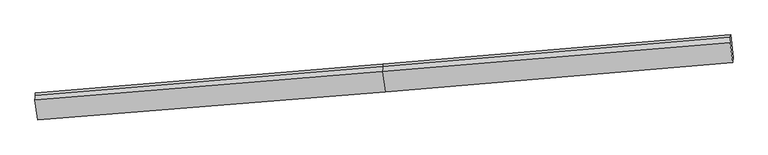
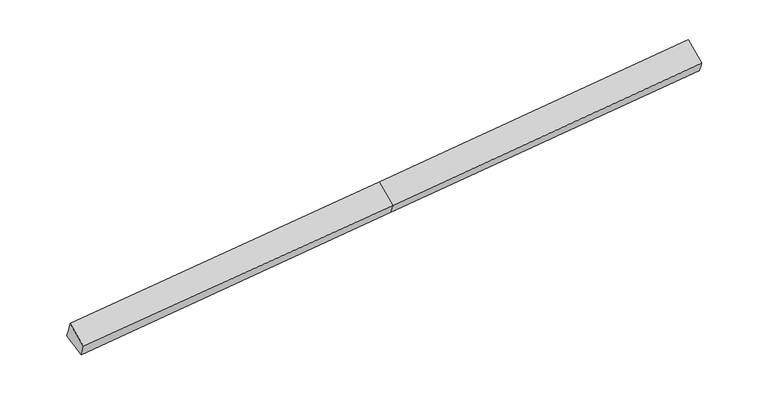
"""IFC4 building model written with IfcOpenShell, lengths in millimetres: proxy geometry."""

from ifc_helpers import new_model, si_unit, frame, origin, place, context, project, spatial, source, transform, mapped, element, save
from ifc_brep_helpers import plane_surface, spline_surface, advanced_brep


def generic_models_52290170(model_context):
    return source(origin(), model_context, "Body", "AdvancedBrep", [
        advanced_brep(
        [(-10583.2695888, -2235.7052022, 1228.433711), (-10589.1335866, -2303.3204423, 1414.5417847), (-622.486525, -1477.0752371, 2034.0831463), (-616.2763367, -1405.4682227, 1836.9878838), (-10513.0747591, -2887.2601449, 981.479562), (-546.9264633, -2056.3338994, 1602.7058848), (-10523.9103142, -3012.2002771, 1325.3719638), (-555.1201811, -2202.9726135, 1933.4760827), (-10599.9092771, -2427.570301, 1756.534238), (-631.1191439, -1618.3426374, 2364.6383568), (9420.4348896, -1363.0551359, 2552.9433234), (9429.0726321, -1211.2965633, 2208.0809329), (9359.7227588, -560.4308867, 2442.3629319), (9353.3645622, -633.7445205, 2644.1555919), (9344.4359268, -778.4251598, 2984.1055976)],
        [
            (0, 1),
            (1, 2),
            (2, 3),
            (3, 0),
            (4, 0),
            (0, 5),
            (5, 4),
            (6, 4),
            (5, 7),
            (7, 6),
            (8, 6),
            (7, 9),
            (9, 8),
            (1, 8),
            (9, 2),
            (10, 11),
            (11, 12),
            (12, 13),
            (13, 14),
            (14, 10),
            (3, 5),
            (5, 11),
            (10, 7),
            (3, 12),
            (2, 13),
            (9, 14),
        ],
        [
            plane_surface(frame((-10586.2015877, -2269.5128223, 1321.4877479), z_axis=(-0.09857325469937928, 0.9363067365712967, 0.33706528819974907), x_axis=(-0.02960164833667081, -0.34132389389904255, 0.9394795058272146))),
            plane_surface(frame((-10548.172174, -2561.4826735, 1104.9566365), z_axis=(0.028439312615942115, 0.3569533414857469, -0.9336891974849514), x_axis=(-0.10023359004109375, 0.9303775121110157, 0.3526342473237544))),
            spline_surface(1, 1, [[(-10523.9103142, -3012.2002771, 1325.3719638), (-555.1201811, -2202.9726135, 1933.4760827)], [(-10513.0747591, -2887.2601449, 981.479562), (-546.9264633, -2056.3338994, 1602.7058848)]], [2, 2], [2, 2], [0.0, 1.0], [0.0, 1.0]),
            plane_surface(frame((-10561.9097956, -2719.8852891, 1540.9531009), z_axis=(-0.0009028421994106001, -0.5936158387311857, 0.804748048076809), x_axis=(0.10405263648580025, -0.8004357968391097, -0.5903182056983282))),
            spline_surface(1, 1, [[(-10589.1335866, -2303.3204423, 1414.5417847), (-622.486525, -1477.0752371, 2034.0831463)], [(-10599.9092771, -2427.570301, 1756.534238), (-631.1191439, -1618.3426374, 2364.6383568)]], [2, 2], [2, 2], [0.0, 1.0], [0.0, 1.0]),
            plane_surface(frame((9381.4061539, -909.3904532, 2566.3296755), z_axis=(0.994571791694322, 0.0837405261845056, 0.06176143975239423), x_axis=(0.022919336468088053, 0.4026753272604175, -0.9150558916435533))),
            plane_surface(frame((-10555.0409848, -2640.6839813, 1322.9548687), z_axis=(-0.9945717916943219, -0.08374052618450513, -0.06176143975239577), x_axis=(0.029601648336670817, 0.34132389389904344, -0.9394795058272142))),
            plane_surface(frame((-10583.2695888, -2235.7052022, 1228.433711), z_axis=(0.028937107671930324, 0.3412678655573235, -0.9395205627007489), x_axis=(-0.09975316326662442, 0.9362080557909883, 0.336992259095606))),
            spline_surface(1, 1, [[(-555.1201811, -2202.9726135, 1933.4760827), (9420.4348896, -1363.0551359, 2552.9433234)], [(-546.9264633, -2056.3338994, 1602.7058848), (9429.0726321, -1211.2965633, 2208.0809329)]], [2, 2], [2, 2], [0.0, 1.0], [0.0, 1.0]),
            plane_surface(frame((-581.6014, -1730.901061, 1719.8468843), z_axis=(0.028114221396072062, 0.3411982772599321, -0.9395708201887429), x_axis=(-0.09975316326662845, 0.9362080557909868, 0.33699225909560887))),
            plane_surface(frame((-619.3814308, -1441.2717299, 1935.535515), z_axis=(-0.09975316326662777, 0.9362080557909856, 0.3369922590956127), x_axis=(-0.029601648336672844, -0.34132389389904344, 0.9394795058272142))),
            spline_surface(1, 1, [[(-622.486525, -1477.0752371, 2034.0831463), (9353.3645622, -633.7445205, 2644.1555919)], [(-631.1191439, -1618.3426374, 2364.6383568), (9344.4359268, -778.4251598, 2984.1055976)]], [2, 2], [2, 2], [0.0, 1.0], [0.0, 1.0]),
            plane_surface(frame((-593.1196625, -1910.6576255, 2149.0572198), z_axis=(-2.5100806678515775e-06, -0.5935402761505628, 0.8048042871287486), x_axis=(0.10405263648579952, -0.8004357968391069, -0.5903182056983319))),
        ],
        [
            (0, [[1, 2, 3, 4]]),
            (1, [[5, 6, 7]]),
            (2, [[8, -7, 9, 10]]),
            (3, [[11, -10, 12, 13]]),
            (4, [[14, -13, 15, -2]]),
            (5, [[16, 17, 18, 19, 20]]),
            (6, [[-1, -5, -8, -11, -14]]),
            (7, [[21, -6, -4]]),
            (8, [[-9, 22, -16, 23]]),
            (9, [[-21, 24, -17, -22]]),
            (10, [[-3, 25, -18, -24]]),
            (11, [[-15, 26, -19, -25]]),
            (12, [[-12, -23, -20, -26]]),
        ],
    ),
    ])


if __name__ == "__main__":
    model = new_model("IFC4")
    model_context = context("Model", 3, world=origin())
    ifc_project = project(units=[si_unit("LENGTHUNIT", "METRE", prefix="MILLI")], contexts=[model_context])
    site = spatial("IfcSite", under=ifc_project)
    building = spatial("IfcBuilding", under=site)
    placement = place(None, origin())
    generic_models_shape = generic_models_52290170(model_context)
    element("IfcBuildingElementProxy", 1, Name="Generic Models", at=placement, inside=building, context=model_context, shape_type="MappedRepresentation", body=[
        mapped(generic_models_shape, transform((0.0, 0.0, 0.0), x_axis=(1.0, 0.0, 0.0), y_axis=(0.0, 1.0, 0.0), z_axis=(0.0, 0.0, 1.0))),
    ])
    save(model, "model.ifc")
